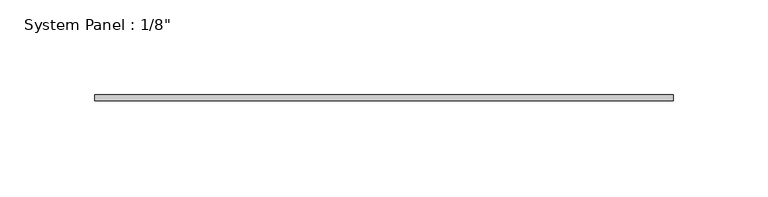
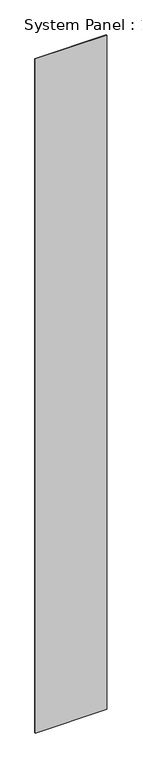
"""IFC4 building model written with IfcOpenShell, lengths in millimetres: plate geometry."""

from ifc_helpers import new_model, si_unit, origin, origin_with_axes, place, context, project, spatial, polyline, outline, extrude, source, transform, mapped, element, save


def plate_cd5470dc(model_context):
    return source(origin(), model_context, "Body", "SweptSolid", [
        extrude(outline(polyline([(152.4, 0.0), (-152.4, 0.0), (-152.4, 3.175), (152.4, 3.175), (152.4, 0.0)])), origin_with_axes(), (0.0, 0.0, 1.0), 3048.0),
    ])


if __name__ == "__main__":
    model = new_model("IFC4")
    model_context = context("Model", 3, world=origin())
    ifc_project = project(units=[si_unit("LENGTHUNIT", "METRE", prefix="MILLI")], contexts=[model_context])
    site = spatial("IfcSite", under=ifc_project)
    building = spatial("IfcBuilding", under=site)
    placement = place(None, origin())
    plate_shape = plate_cd5470dc(model_context)
    element("IfcPlate", 1, ObjectType="System Panel : 1/8\"", at=placement, inside=building, context=model_context, shape_type="MappedRepresentation", body=[
        mapped(plate_shape, transform((0.0, 0.0, 0.0), x_axis=(1.0, 0.0, 0.0), y_axis=(0.0, 1.0, 0.0), z_axis=(0.0, 0.0, 1.0))),
    ])
    save(model, "model.ifc")
